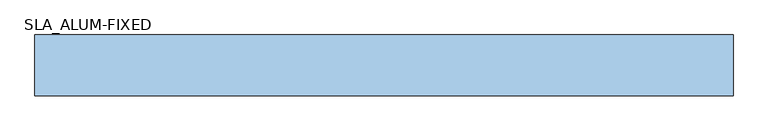
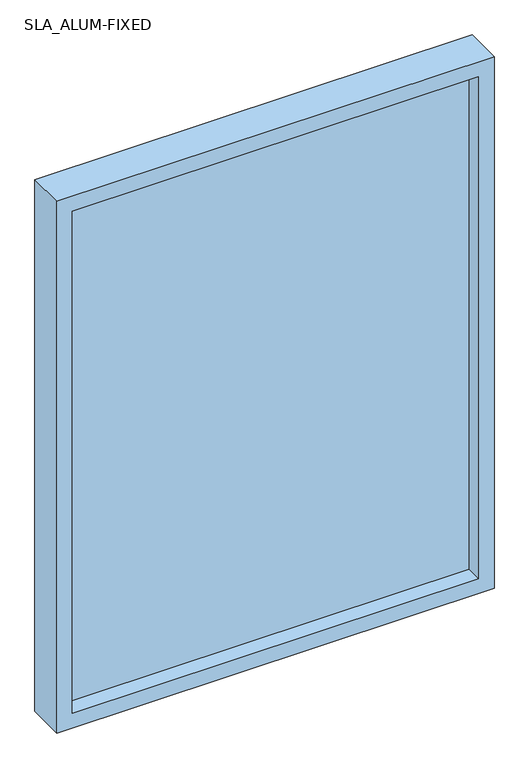
"""IFC4 building model written with IfcOpenShell, lengths in millimetres: window geometry, SLA_ALUM-FIXED."""

from ifc_helpers import new_model, si_unit, frame, origin, place, context, project, spatial, polyline, outline, extrude, source, transform, mapped, element, save


def sla_alum_fixed_37bb70b5(model_context):
    return source(origin(), model_context, "Body", "SweptSolid", [
        extrude(outline(polyline([(-1320.8, 48.7863346), (0.0, 48.7863346), (0.0, 23.3863346), (-1320.8, 23.3863346), (-1320.8, 48.7863346)])), frame((0.0, 0.0, 1574.8), z_axis=(0.0, 0.0, 1.0), x_axis=(1.0, 0.0, 0.0)), (0.0, 0.0, 1.0), 1727.2),
        extrude(outline(polyline([(3352.8, -1371.6), (1524.0, -1371.6), (1524.0, 50.8), (3352.8, 50.8), (3352.8, -1371.6)]), holes=[polyline([(3302.0, 0.0), (1574.8, 0.0), (1574.8, -1320.8), (3302.0, -1320.8), (3302.0, 0.0)])]), frame((0.0, -30.5886654, 0.0), z_axis=(0.0, 1.0, 0.0), x_axis=(0.0, 0.0, 1.0)), (0.0, 0.0, 1.0), 123.825),
    ])


if __name__ == "__main__":
    model = new_model("IFC4")
    model_context = context("Model", 3, world=origin())
    ifc_project = project(units=[si_unit("LENGTHUNIT", "METRE", prefix="MILLI")], contexts=[model_context])
    site = spatial("IfcSite", under=ifc_project)
    building = spatial("IfcBuilding", under=site)
    placement = place(None, origin())
    sla_alum_fixed_shape = sla_alum_fixed_37bb70b5(model_context)
    element("IfcWindow", 1, ObjectType="SLA_ALUM-FIXED", at=placement, inside=building, context=model_context, shape_type="MappedRepresentation", body=[
        mapped(sla_alum_fixed_shape, transform((0.0, 0.0, 0.0), x_axis=(1.0, 0.0, 0.0), y_axis=(0.0, 1.0, 0.0), z_axis=(0.0, 0.0, 1.0))),
    ])
    save(model, "model.ifc")
